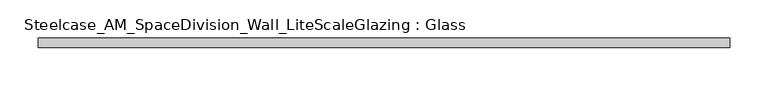
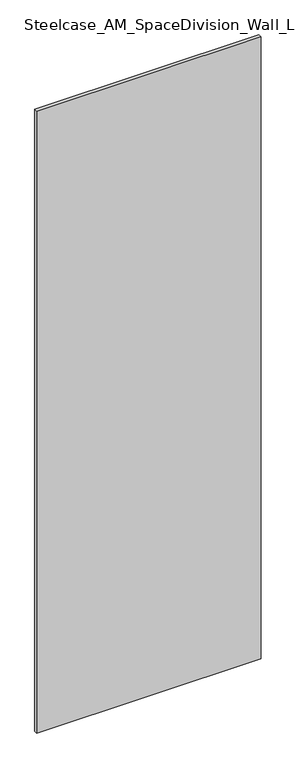
"""IFC4 building model written with IfcOpenShell, lengths in millimetres: plate geometry, Steelcase_AM_SpaceDivision_Wall_LiteScaleGlazing : Glass."""

import ifcopenshell
import ifcopenshell.guid

model = None  # the IFC model being written
_history = None  # IfcOwnerHistory: only IFC2X3 demands one
_inside = {}  # id of a spatial element -> (the spatial element, [elements in it])
_under = {}  # id of a project, library or spatial element -> (it, [spatial elements below it])
_declared = {}  # id of a project -> (the project, [libraries it declares])
_typed = {}  # id of a type object -> (the type object, [elements of that type])
_made_of = {}  # id of a material, layer set ... -> (it, [elements and type objects made of it])


def new_model(schema):
    """Start an empty IFC model of exactly this schema.

    Asked for "IFC4X3", IfcOpenShell would pick the latest addendum, in which some entities
    have other attributes; the version numbers below select the first issue.
    IFC2X3 requires an IfcOwnerHistory on every rooted entity: one is made here for all.
    """
    global model, _history
    if schema == "IFC4X3":
        model = ifcopenshell.file(schema_version=(4, 3, 0, 0))
    else:
        model = ifcopenshell.file(schema=schema)
    _inside.clear()
    _under.clear()
    _declared.clear()
    _typed.clear()
    _made_of.clear()
    _history = None
    if model.schema == "IFC2X3":
        org = make("IfcOrganization", Name="unknown")
        user = make(
            "IfcPersonAndOrganization",
            ThePerson=make("IfcPerson", FamilyName="unknown"),
            TheOrganization=org,
        )
        app = make(
            "IfcApplication",
            ApplicationDeveloper=org,
            Version="unknown",
            ApplicationFullName="unknown",
            ApplicationIdentifier="unknown",
        )
        _history = make(
            "IfcOwnerHistory",
            OwningUser=user,
            OwningApplication=app,
            ChangeAction="ADDED",
            CreationDate=0,
        )
    return model


def make(cls, **values):
    """One entity of the class cls with the attributes given. An attribute that is None is left unset."""
    return model.create_entity(
        cls, **{name: value for name, value in values.items() if value is not None}
    )


def rooted(cls, **values):
    """An entity with a GlobalId (a new one), such as an element, a storey or a relation."""
    return make(cls, GlobalId=ifcopenshell.guid.new(), OwnerHistory=_history, **values)


def si_unit(unit_type, name, prefix=None):
    """IfcSIUnit, for example si_unit("LENGTHUNIT", "METRE", prefix="MILLI")."""
    return make("IfcSIUnit", UnitType=unit_type, Prefix=prefix, Name=name)


def assignment(units):
    """IfcUnitAssignment: the units of a project."""
    return None if units is None else make("IfcUnitAssignment", Units=units)


def point(xyz):
    """IfcCartesianPoint."""
    return None if xyz is None else make("IfcCartesianPoint", Coordinates=xyz)


def direction(xyz):
    """IfcDirection."""
    return None if xyz is None else make("IfcDirection", DirectionRatios=xyz)


def frame(location, z_axis=None, x_axis=None):
    """IfcAxis2Placement3D, a coordinate frame: its origin and axes. An axis left out is left unset."""
    return make(
        "IfcAxis2Placement3D",
        Location=point(location),
        Axis=direction(z_axis),
        RefDirection=direction(x_axis),
    )


def origin():
    """The frame at (0, 0, 0) with its axes left unset."""
    return frame((0.0, 0.0, 0.0))


def origin_with_axes():
    """The frame at (0, 0, 0) with the z axis (0, 0, 1) and the x axis (1, 0, 0) written out."""
    return frame((0.0, 0.0, 0.0), z_axis=(0.0, 0.0, 1.0), x_axis=(1.0, 0.0, 0.0))


def place(relative_to, where):
    """IfcLocalPlacement: puts the frame where relative to a parent placement (None: the world)."""
    return make(
        "IfcLocalPlacement", PlacementRelTo=relative_to, RelativePlacement=where
    )


def context(
    kind, dimensions, precision=None, world=None, true_north=None, identifier=None
):
    """IfcGeometricRepresentationContext, for example the 3D "Model" context."""
    return make(
        "IfcGeometricRepresentationContext",
        ContextIdentifier=identifier,
        ContextType=kind,
        CoordinateSpaceDimension=dimensions,
        Precision=precision,
        WorldCoordinateSystem=world,
        TrueNorth=true_north,
    )


def project(units=None, contexts=None):
    """IfcProject with its units and contexts."""
    return rooted(
        "IfcProject",
        Name="project",
        RepresentationContexts=contexts,
        UnitsInContext=assignment(units),
    )


def spatial(cls, under=None, at=None, **own):
    """A site, building, storey or space (cls), placed at a placement, below another one or the project."""
    s = rooted(cls, ObjectPlacement=at, **own)
    if under is not None:
        _under.setdefault(under.id(), (under, []))[1].append(s)
    return s


def polyline(points):
    """IfcPolyline through the points."""
    return make("IfcPolyline", Points=[point(p) for p in points])


def outline(outer, holes=None, kind="AREA"):
    """IfcArbitraryClosedProfileDef: a profile drawn as a closed curve; with holes, ...WithVoids."""
    if holes is None:
        return make("IfcArbitraryClosedProfileDef", ProfileType=kind, OuterCurve=outer)
    return make(
        "IfcArbitraryProfileDefWithVoids",
        ProfileType=kind,
        OuterCurve=outer,
        InnerCurves=holes,
    )


def extrude(swept, where, along, depth):
    """IfcExtrudedAreaSolid: the profile swept, set in the frame where, extruded along a direction by depth."""
    return make(
        "IfcExtrudedAreaSolid",
        SweptArea=swept,
        Position=where,
        ExtrudedDirection=direction(along),
        Depth=depth,
    )


def shape(context_of_items, identifier, shape_type, items):
    """IfcShapeRepresentation: the items that make up one representation, for example the "Body"."""
    return make(
        "IfcShapeRepresentation",
        ContextOfItems=context_of_items,
        RepresentationIdentifier=identifier,
        RepresentationType=shape_type,
        Items=items,
    )


def source(mapping_origin, context_of_items, identifier, shape_type, items):
    """IfcRepresentationMap: a shape defined once, which mapped items show again and again."""
    return make(
        "IfcRepresentationMap",
        MappingOrigin=mapping_origin,
        MappedRepresentation=shape(context_of_items, identifier, shape_type, items),
    )


def transform(
    local_origin,
    x_axis=None,
    y_axis=None,
    z_axis=None,
    scale=None,
    scale2=None,
    scale3=None,
    uniform=True,
):
    """IfcCartesianTransformationOperator3D, or its non-uniform kind. x_axis, y_axis, z_axis: its Axis1, 2, 3."""
    if uniform:
        return make(
            "IfcCartesianTransformationOperator3D",
            Axis1=direction(x_axis),
            Axis2=direction(y_axis),
            LocalOrigin=point(local_origin),
            Scale=scale,
            Axis3=direction(z_axis),
        )
    return make(
        "IfcCartesianTransformationOperator3DnonUniform",
        Axis1=direction(x_axis),
        Axis2=direction(y_axis),
        LocalOrigin=point(local_origin),
        Scale=scale,
        Axis3=direction(z_axis),
        Scale2=scale2,
        Scale3=scale3,
    )


def mapped(mapping_source, mapping_target):
    """IfcMappedItem: shows the shape of a source again, moved by a transform."""
    return make(
        "IfcMappedItem", MappingSource=mapping_source, MappingTarget=mapping_target
    )


def made_of(thing, what):
    """Note that an element or type object is made of a material, layer set ...; save() writes the relation."""
    if what is not None:
        _made_of.setdefault(what.id(), (what, []))[1].append(thing)
    return thing


def element(
    cls,
    number,
    at=None,
    inside=None,
    cuts=None,
    type_object=None,
    material=None,
    context=None,
    identifier="Body",
    shape_type=None,
    held_by="IfcProductDefinitionShape",
    body=None,
    shapes=None,
    **own,
):
    """One element of the class cls, such as IfcWall. Its Tag is "e" and its number.

    at: its placement. inside: the storey or other place that contains it. cuts: it is an
    opening in that element (IfcRelVoidsElement). A single representation is given by context,
    identifier, shape_type and body (its items); several are given by shapes. held_by: the class
    of the entity that holds the representations. save() writes the other relations.
    """
    e = rooted(cls, Tag="e%d" % number, ObjectPlacement=at, **own)
    if body is not None:
        shapes = [shape(context, identifier, shape_type, body)]
    if shapes is not None:
        e.Representation = make(held_by, Representations=shapes)
    if inside is not None:
        _inside.setdefault(inside.id(), (inside, []))[1].append(e)
    if cuts is not None:
        rooted(
            "IfcRelVoidsElement", RelatingBuildingElement=cuts, RelatedOpeningElement=e
        )
    if type_object is not None:
        _typed.setdefault(type_object.id(), (type_object, []))[1].append(e)
    return made_of(e, material)


def aggregate(whole, parts):
    """IfcRelAggregates: a whole, such as a stair, and the parts it consists of."""
    return rooted("IfcRelAggregates", RelatingObject=whole, RelatedObjects=parts)


def save(model, path):
    """Write the relations noted so far, then the file.

    IfcRelAggregates (storeys below a building ...), IfcRelContainedInSpatialStructure (elements
    in a storey), IfcRelDefinesByType, IfcRelAssociatesMaterial and IfcRelDeclares: one each for
    every whole, place, type object, material and project.
    """
    for whole, parts in _under.values():
        aggregate(whole, parts)
    for where, things in _inside.values():
        rooted(
            "IfcRelContainedInSpatialStructure",
            RelatedElements=things,
            RelatingStructure=where,
        )
    for kind, things in _typed.values():
        rooted("IfcRelDefinesByType", RelatedObjects=things, RelatingType=kind)
    for what, things in _made_of.values():
        rooted("IfcRelAssociatesMaterial", RelatedObjects=things, RelatingMaterial=what)
    for by, libraries in _declared.values():
        rooted("IfcRelDeclares", RelatingContext=by, RelatedDefinitions=libraries)
    model.write(path)


def steelcase_am_spacedivision_wall_litescaleglazing_glass_7d54c226(model_context):
    return source(origin(), model_context, "Body", "SweptSolid", [
        extrude(outline(polyline([(-455.168, -6.349956), (-455.168, 6.3502015), (455.168, 6.3502015), (455.168, -6.349956), (-455.168, -6.349956)])), origin_with_axes(), (0.0, 0.0, 1.0), 2665.984),
    ])


if __name__ == "__main__":
    model = new_model("IFC4")
    model_context = context("Model", 3, world=origin())
    ifc_project = project(units=[si_unit("LENGTHUNIT", "METRE", prefix="MILLI")], contexts=[model_context])
    site = spatial("IfcSite", under=ifc_project)
    building = spatial("IfcBuilding", under=site)
    placement = place(None, origin())
    steelcase_am_spacedivision_wall_litescaleglazing_glass_shape = steelcase_am_spacedivision_wall_litescaleglazing_glass_7d54c226(model_context)
    element("IfcPlate", 1, ObjectType="Steelcase_AM_SpaceDivision_Wall_LiteScaleGlazing : Glass", at=placement, inside=building, context=model_context, shape_type="MappedRepresentation", body=[
        mapped(steelcase_am_spacedivision_wall_litescaleglazing_glass_shape, transform((0.0, 0.0, 0.0), x_axis=(1.0, 0.0, 0.0), y_axis=(0.0, 1.0, 0.0), z_axis=(0.0, 0.0, 1.0))),
    ])
    save(model, "model.ifc")
